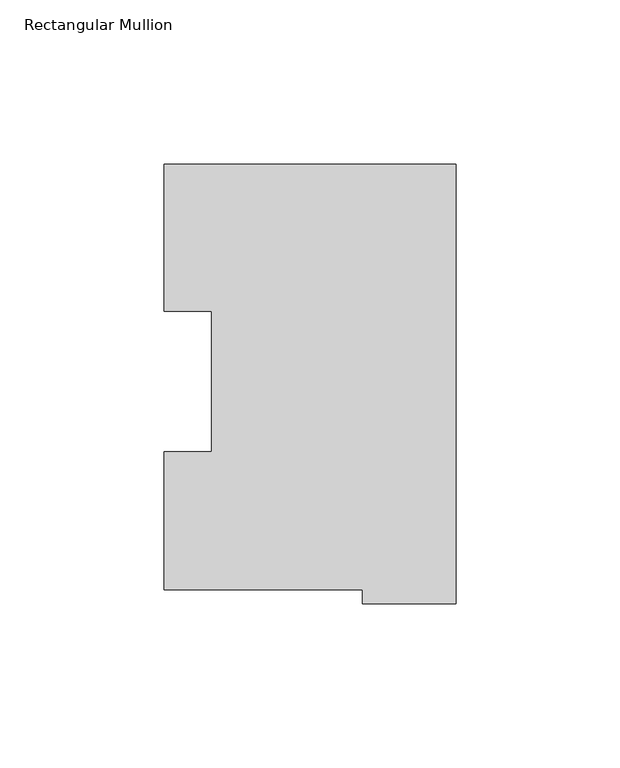
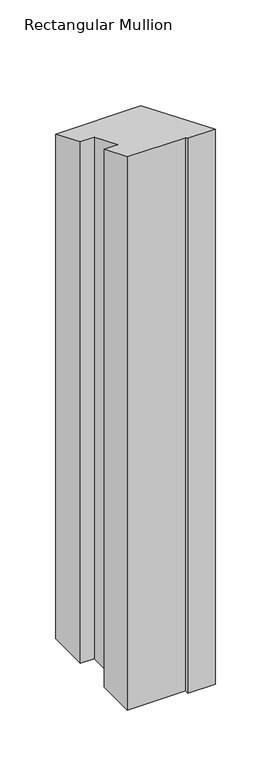
"""IFC4 building model written with IfcOpenShell, lengths in millimetres: member geometry, Rectangular Mullion."""

from ifc_helpers import new_model, si_unit, origin, place, context, project, spatial, faceted_brep, source, transform, mapped, element, save


def rectangular_mullion_1b86a727(model_context):
    return source(origin(), model_context, "Body", "Brep", [
        faceted_brep([(-88.99652, 130.0368875, -609.6), (0.0, 130.0368875, -609.6), (0.0, -3.9735125, -609.6), (-28.56992, -3.9735125, -609.6), (-28.56992, 0.2428875, -609.6), (-89.1408142, 0.2428875, -609.6), (-89.1408142, 42.2798875, -609.6), (-74.6252, 42.2798875, -609.6), (-74.6252, 85.1296875, -609.6), (-88.99652, 85.1296875, -609.6), (-88.99652, 85.1296875, -35.2618711), (-88.99652, 130.0368875, -53.8630424), (-74.6252, 85.1296875, -35.2618711), (-74.6252, 42.2798875, -17.5129028), (-89.1408142, 42.2798875, -17.5129028), (-89.1408142, 0.2428875, -0.1006073), (-28.56992, 0.2428875, -0.1006073), (-28.56992, -3.9735125, 1.6458828), (0.0, -3.9735125, 1.6458828), (0.0, 130.0368875, -53.8630424)], [[[0, 1, 2, 3, 4, 5, 6, 7, 8, 9]], [[10, 11, 0, 9]], [[12, 10, 9, 8]], [[13, 12, 8, 7]], [[14, 13, 7, 6]], [[15, 14, 6, 5]], [[16, 15, 5, 4]], [[17, 16, 4, 3]], [[18, 17, 3, 2]], [[19, 18, 2, 1]], [[11, 19, 1, 0]], [[11, 10, 12, 13, 14, 15, 16, 17, 18, 19]]]),
    ])


if __name__ == "__main__":
    model = new_model("IFC4")
    model_context = context("Model", 3, world=origin())
    ifc_project = project(units=[si_unit("LENGTHUNIT", "METRE", prefix="MILLI")], contexts=[model_context])
    site = spatial("IfcSite", under=ifc_project)
    building = spatial("IfcBuilding", under=site)
    placement = place(None, origin())
    rectangular_mullion_shape = rectangular_mullion_1b86a727(model_context)
    element("IfcMember", 1, ObjectType="Rectangular Mullion", at=placement, inside=building, context=model_context, shape_type="MappedRepresentation", body=[
        mapped(rectangular_mullion_shape, transform((0.0, 0.0, 0.0), x_axis=(1.0, 0.0, 0.0), y_axis=(0.0, 1.0, 0.0), z_axis=(0.0, 0.0, 1.0))),
    ])
    save(model, "model.ifc")
